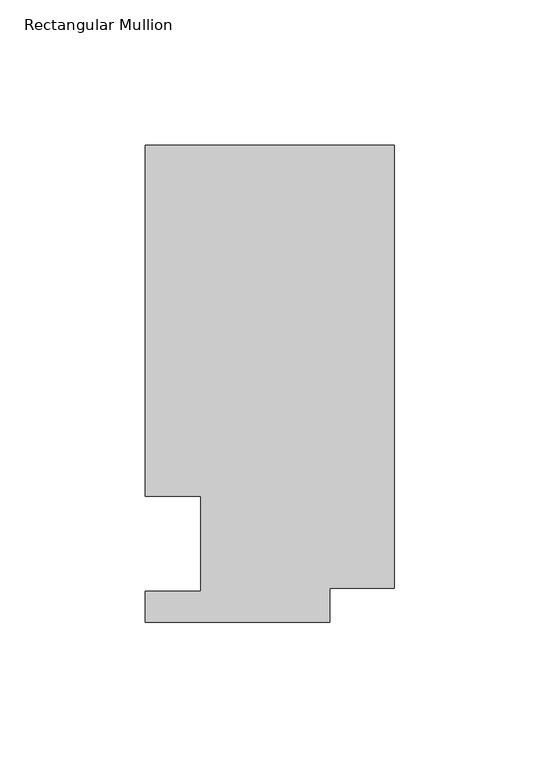
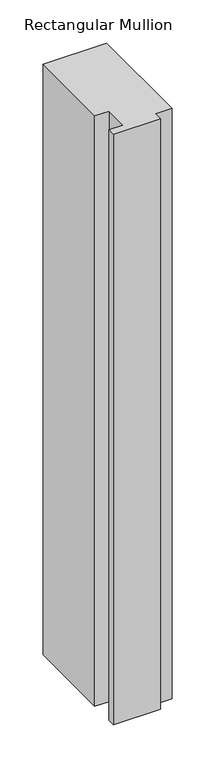
"""IFC4 building model written with IfcOpenShell, lengths in millimetres: member geometry, Rectangular Mullion."""

from ifc_helpers import new_model, si_unit, frame, origin, place, context, project, spatial, polyline, outline, extrude, source, transform, mapped, element, save


def rectangular_mullion_940fe03d(model_context):
    return source(origin(), model_context, "Body", "SweptSolid", [
        extrude(outline(polyline([(-85.7123, 152.4), (0.0, 152.4), (0.0, 0.0), (-22.2123, 0.0), (-22.2123, -11.684), (-85.7123, -11.684), (-85.7123, -1.016), (-66.6623, -1.016), (-66.6623, 31.75), (-85.7123, 31.75), (-85.7123, 152.4)])), frame((0.0, 0.0, -838.2), z_axis=(0.0, 0.0, 1.0), x_axis=(1.0, 0.0, 0.0)), (0.0, 0.0, 1.0), 838.2),
    ])


if __name__ == "__main__":
    model = new_model("IFC4")
    model_context = context("Model", 3, world=origin())
    ifc_project = project(units=[si_unit("LENGTHUNIT", "METRE", prefix="MILLI")], contexts=[model_context])
    site = spatial("IfcSite", under=ifc_project)
    building = spatial("IfcBuilding", under=site)
    placement = place(None, origin())
    rectangular_mullion_shape = rectangular_mullion_940fe03d(model_context)
    element("IfcMember", 1, ObjectType="Rectangular Mullion", at=placement, inside=building, context=model_context, shape_type="MappedRepresentation", body=[
        mapped(rectangular_mullion_shape, transform((0.0, 0.0, 0.0), x_axis=(1.0, 0.0, 0.0), y_axis=(0.0, 1.0, 0.0), z_axis=(0.0, 0.0, 1.0))),
    ])
    save(model, "model.ifc")
